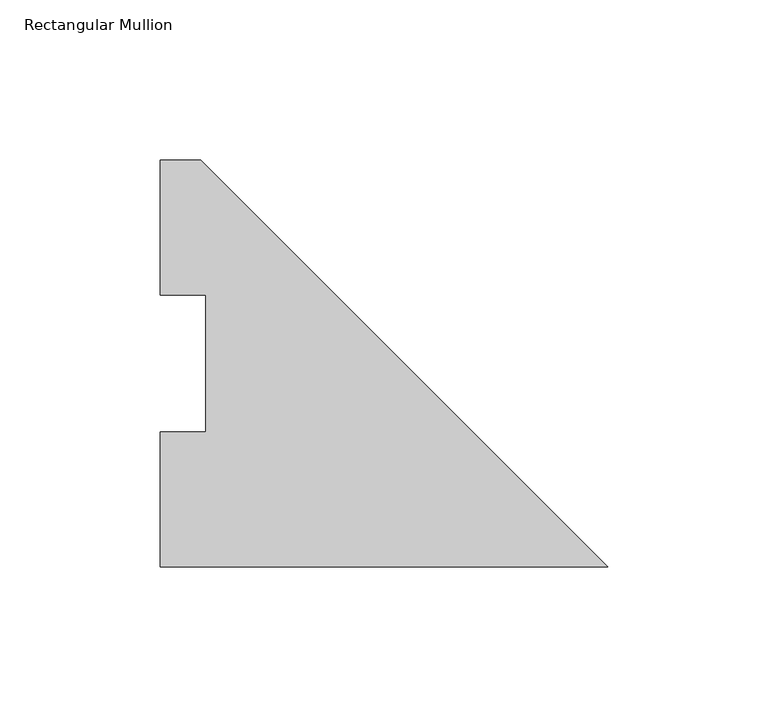
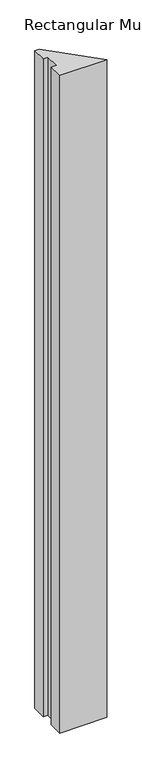
"""IFC4 building model written with IfcOpenShell, lengths in millimetres: member geometry, Rectangular Mullion."""

from ifc_helpers import new_model, si_unit, frame, origin, place, context, project, spatial, polyline, outline, extrude, source, transform, mapped, element, save


def rectangular_mullion_98804b5f(model_context):
    return source(origin(), model_context, "Body", "SweptSolid", [
        extrude(outline(polyline([(-139.7, 0.00635), (-139.7, 42.08145), (-125.4125, 42.08145), (-125.4125, 84.93125), (-139.7, 84.93125), (-139.7, 127.00635), (-127.0, 127.00635), (0.0, 0.00635), (-139.7, 0.00635)])), frame((0.0, 0.0, -2057.4), z_axis=(0.0, 0.0, 1.0), x_axis=(1.0, 0.0, 0.0)), (0.0, 0.0, 1.0), 2057.4),
    ])


if __name__ == "__main__":
    model = new_model("IFC4")
    model_context = context("Model", 3, world=origin())
    ifc_project = project(units=[si_unit("LENGTHUNIT", "METRE", prefix="MILLI")], contexts=[model_context])
    site = spatial("IfcSite", under=ifc_project)
    building = spatial("IfcBuilding", under=site)
    placement = place(None, origin())
    rectangular_mullion_shape = rectangular_mullion_98804b5f(model_context)
    element("IfcMember", 1, ObjectType="Rectangular Mullion", at=placement, inside=building, context=model_context, shape_type="MappedRepresentation", body=[
        mapped(rectangular_mullion_shape, transform((0.0, 0.0, 0.0), x_axis=(1.0, 0.0, 0.0), y_axis=(0.0, 1.0, 0.0), z_axis=(0.0, 0.0, 1.0))),
    ])
    save(model, "model.ifc")
